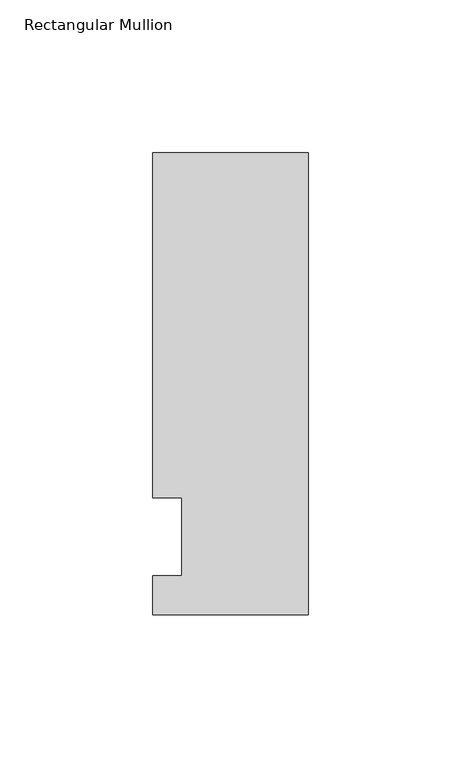
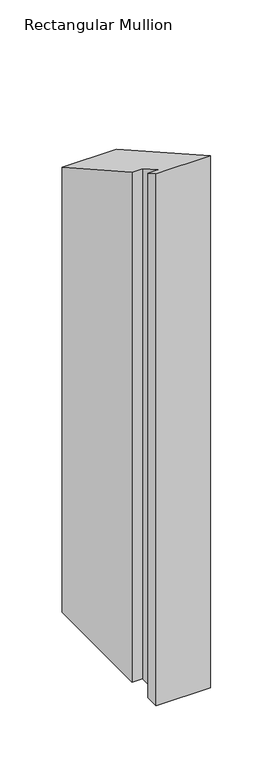
"""IFC4 building model written with IfcOpenShell, lengths in millimetres: member geometry, Rectangular Mullion."""

from ifc_helpers import new_model, si_unit, origin, place, context, project, spatial, faceted_brep, source, transform, mapped, element, save


def rectangular_mullion_0dc3ad8a(model_context):
    return source(origin(), model_context, "Body", "Brep", [
        faceted_brep([(-50.8, -25.5984375, -508.0), (-50.8, -12.7, -508.0), (-41.275, -12.7, -508.0), (-41.275, 12.7, -508.0), (-50.8, 12.7, -508.0), (-50.8, 125.6109375, -508.0), (0.0, 125.6109375, -508.0), (0.0, -25.5984375, -508.0), (0.0, -25.5984375, 14.4828991), (-50.8, -25.5984375, 14.4828991), (0.0, 125.6109375, -71.0672491), (-50.8, 125.6109375, -71.0672491), (-50.8, 12.7, -7.1853143), (-41.275, 12.7, -7.1853143), (-41.275, -12.7, 7.1853143), (-50.8, -12.7, 7.1853143)], [[[0, 1, 2, 3, 4, 5, 6, 7]], [[8, 9, 0, 7]], [[10, 8, 7, 6]], [[11, 10, 6, 5]], [[12, 11, 5, 4]], [[13, 12, 4, 3]], [[14, 13, 3, 2]], [[15, 14, 2, 1]], [[9, 15, 1, 0]], [[9, 8, 10, 11, 12, 13, 14, 15]]]),
    ])


if __name__ == "__main__":
    model = new_model("IFC4")
    model_context = context("Model", 3, world=origin())
    ifc_project = project(units=[si_unit("LENGTHUNIT", "METRE", prefix="MILLI")], contexts=[model_context])
    site = spatial("IfcSite", under=ifc_project)
    building = spatial("IfcBuilding", under=site)
    placement = place(None, origin())
    rectangular_mullion_shape = rectangular_mullion_0dc3ad8a(model_context)
    element("IfcMember", 1, ObjectType="Rectangular Mullion", at=placement, inside=building, context=model_context, shape_type="MappedRepresentation", body=[
        mapped(rectangular_mullion_shape, transform((0.0, 0.0, 0.0), x_axis=(1.0, 0.0, 0.0), y_axis=(0.0, 1.0, 0.0), z_axis=(0.0, 0.0, 1.0))),
    ])
    save(model, "model.ifc")
